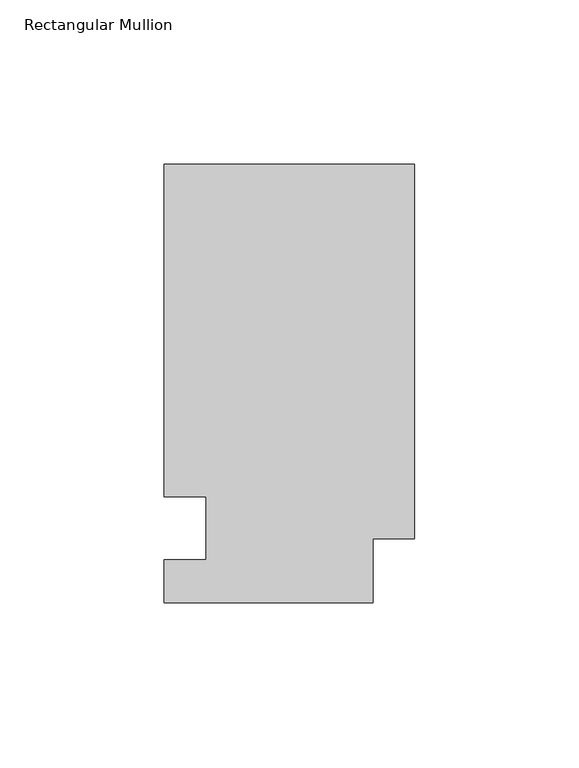
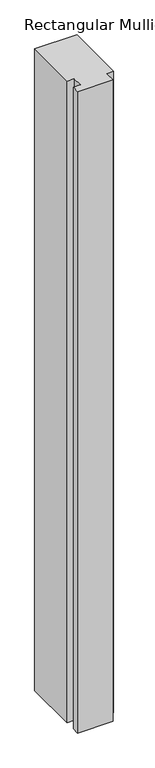
"""IFC4 building model written with IfcOpenShell, lengths in millimetres: member geometry, Rectangular Mullion."""

from ifc_helpers import new_model, si_unit, frame, origin, place, context, project, spatial, polyline, outline, extrude, source, transform, mapped, element, save


def rectangular_mullion_a7fbb1d6(model_context):
    return source(origin(), model_context, "Body", "SweptSolid", [
        extrude(outline(polyline([(0.0, 133.4396938), (0.0, 19.5460937), (-12.7, 19.5460937), (-12.7, 0.0134937), (-76.2, 0.0134937), (-76.2, 13.1960937), (-63.5, 13.1960937), (-63.5, 32.2460938), (-76.2, 32.2460937), (-76.2, 133.4396937), (0.0, 133.4396938)])), frame((0.0, 0.0, -1219.2), z_axis=(0.0, 0.0, 1.0), x_axis=(1.0, 0.0, 0.0)), (0.0, 0.0, 1.0), 1219.2),
    ])


if __name__ == "__main__":
    model = new_model("IFC4")
    model_context = context("Model", 3, world=origin())
    ifc_project = project(units=[si_unit("LENGTHUNIT", "METRE", prefix="MILLI")], contexts=[model_context])
    site = spatial("IfcSite", under=ifc_project)
    building = spatial("IfcBuilding", under=site)
    placement = place(None, origin())
    rectangular_mullion_shape = rectangular_mullion_a7fbb1d6(model_context)
    element("IfcMember", 1, ObjectType="Rectangular Mullion", at=placement, inside=building, context=model_context, shape_type="MappedRepresentation", body=[
        mapped(rectangular_mullion_shape, transform((0.0, 0.0, 0.0), x_axis=(1.0, 0.0, 0.0), y_axis=(0.0, 1.0, 0.0), z_axis=(0.0, 0.0, 1.0))),
    ])
    save(model, "model.ifc")
